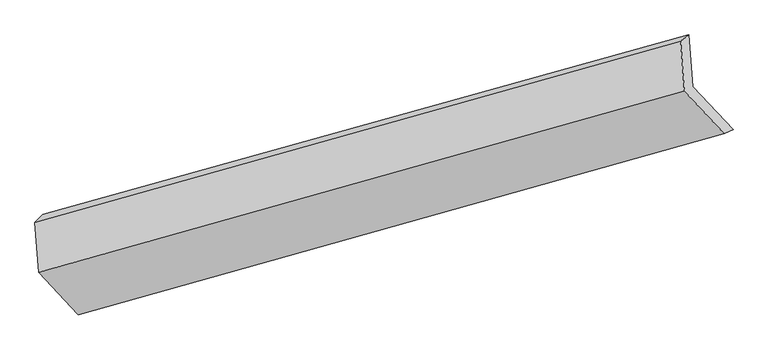
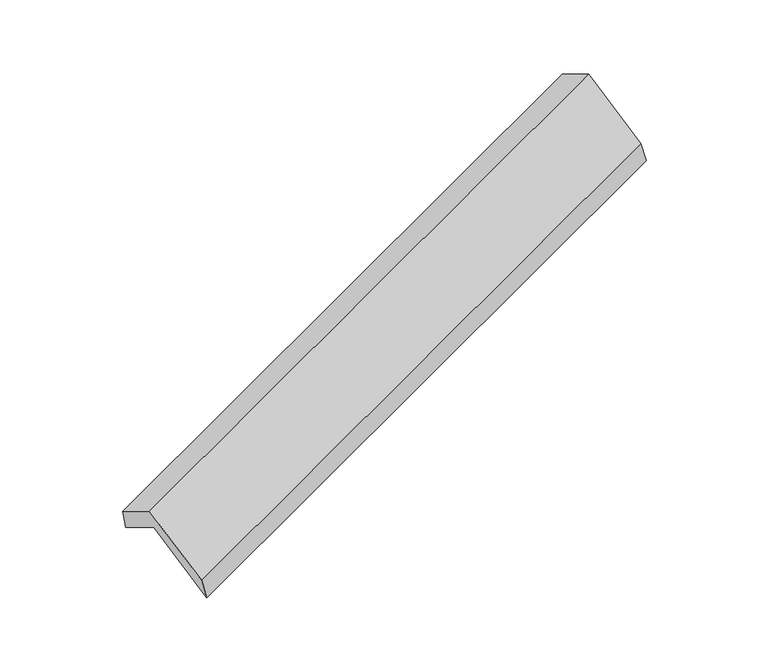
"""IFC4 building model written with IfcOpenShell, lengths in millimetres: proxy geometry."""

from ifc_helpers import new_model, si_unit, frame, origin, place, context, project, spatial, source, transform, mapped, element, save
from ifc_brep_helpers import plane_surface, spline_surface, advanced_brep


def generic_models_0bffc0f6(model_context):
    return source(origin(), model_context, "Body", "AdvancedBrep", [
        advanced_brep(
        [(-5081.5332834, -2116.749309, 1295.8170669), (-5107.9265456, -1761.6643055, 1090.4690264), (-773.2770205, -553.3826134, 2662.7161565), (-747.5258753, -899.828815, 2863.0683199), (-5162.0711186, -1812.17933, 1282.2566691), (-828.0637106, -595.258836, 2849.5079221), (-5136.9620906, -2149.9867297, 1477.6129554), (-802.9546826, -933.0662358, 3044.8642084), (-4869.7361566, -2434.5396771, 951.2215266), (-535.7287486, -1217.6191831, 2518.4727796), (-4810.2296689, -2405.6443348, 761.3932739), (-476.2222608, -1188.7238409, 2328.6445269)],
        [
            (0, 1),
            (1, 2),
            (2, 3),
            (3, 0),
            (1, 4),
            (4, 5),
            (5, 2),
            (4, 6),
            (6, 7),
            (7, 5),
            (6, 8),
            (8, 9),
            (9, 7),
            (8, 10),
            (10, 11),
            (11, 9),
            (10, 0),
            (3, 11),
        ],
        [
            plane_surface(frame((-5094.7299145, -1939.2068072, 1193.1430467), z_axis=(0.41158613559608315, -0.43313286273784535, -0.8018683035272076), x_axis=(-0.06421171295980085, 0.863880186438108, -0.4995877094149015))),
            spline_surface(1, 1, [[(-5107.9265456, -1761.6643055, 1090.4690264), (-773.2770205, -553.3826134, 2662.7161565)], [(-5162.0711186, -1812.17933, 1282.2566691), (-828.0637106, -595.258836, 2849.5079221)]], [2, 2], [2, 2], [0.0, 1.0], [0.0, 1.0]),
            plane_surface(frame((-5149.5166046, -1981.0830299, 1379.9348122), z_axis=(-0.4115861355960843, 0.43313286273779805, 0.8018683035272322), x_axis=(0.06421171295984526, -0.8638801864381245, 0.499587709414867))),
            plane_surface(frame((-5003.3491236, -2292.2632034, 1214.417241), z_axis=(0.06230071986235966, -0.8644138737093308, 0.49890607857938674), x_axis=(0.4077680466630522, -0.4342078545891847, -0.8032364279174945))),
            plane_surface(frame((-4839.9829127, -2420.092006, 856.3074002), z_axis=(0.28834547839709307, -0.9559385086698422, -0.055122161877324355), x_axis=(0.2960165400392719, 0.143740616411889, -0.9443054819372322))),
            plane_surface(frame((-4945.8814761, -2261.1968219, 1028.6051704), z_axis=(-0.06230071986236191, 0.8644138737093329, -0.4989060785793826), x_axis=(-0.40776804666305716, 0.43420785458917877, 0.8032364279174952))),
            plane_surface(frame((-693.9620497, -897.9799207, 2711.2123189), z_axis=(0.9108249425874103, 0.2552930913533039, 0.32438150605099947), x_axis=(0.2960165400392719, 0.143740616411889, -0.9443054819372322))),
            plane_surface(frame((-5028.0764773, -2113.4606144, 1143.1284197), z_axis=(-0.9108249425874171, -0.2552930913533138, -0.3243815060509723), x_axis=(0.40776804666303784, -0.43420785458917277, -0.8032364279175083))),
        ],
        [
            (0, [[1, 2, 3, 4]]),
            (1, [[5, 6, 7, -2]]),
            (2, [[8, 9, 10, -6]]),
            (3, [[11, 12, 13, -9]]),
            (4, [[14, 15, 16, -12]]),
            (5, [[17, -4, 18, -15]]),
            (6, [[-16, -18, -3, -7, -10, -13]]),
            (7, [[-17, -14, -11, -8, -5, -1]]),
        ],
    ),
    ])


if __name__ == "__main__":
    model = new_model("IFC4")
    model_context = context("Model", 3, world=origin())
    ifc_project = project(units=[si_unit("LENGTHUNIT", "METRE", prefix="MILLI")], contexts=[model_context])
    site = spatial("IfcSite", under=ifc_project)
    building = spatial("IfcBuilding", under=site)
    placement = place(None, origin())
    generic_models_shape = generic_models_0bffc0f6(model_context)
    element("IfcBuildingElementProxy", 1, Name="Generic Models", at=placement, inside=building, context=model_context, shape_type="MappedRepresentation", body=[
        mapped(generic_models_shape, transform((0.0, 0.0, 0.0), x_axis=(1.0, 0.0, 0.0), y_axis=(0.0, 1.0, 0.0), z_axis=(0.0, 0.0, 1.0))),
    ])
    save(model, "model.ifc")
